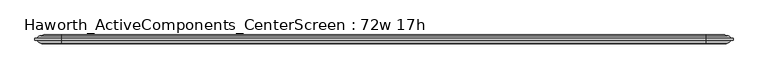
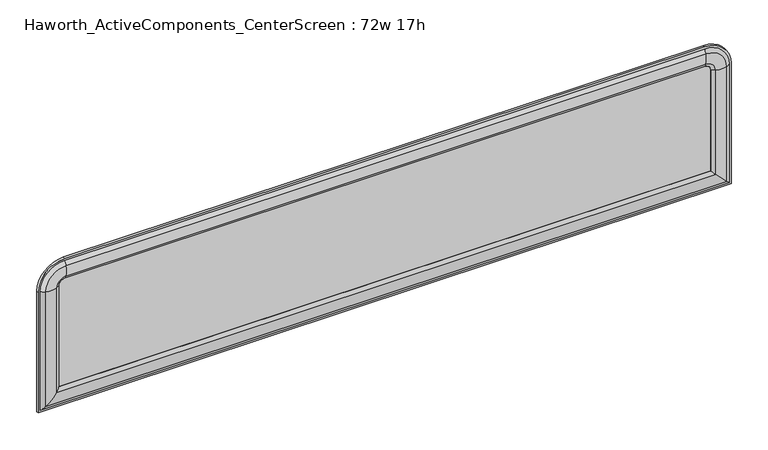
"""IFC4 building model written with IfcOpenShell, lengths in millimetres: furniture geometry, Haworth_ActiveComponents_CenterScreen : 72w 17h."""

from ifc_helpers import new_model, si_unit, point, frame, frame_2d, origin, place, context, project, spatial, polyline, circle_curve, ellipse_curve, trimmed, segment, composite_curve, outline, extrude, source, transform, mapped, element, save
from ifc_brep_helpers import plane_surface, cylinder_surface, revolved_surface, advanced_brep


def haworth_activecomponents_centerscreen_72w_17h_f42dbaa0(model_context):
    return source(origin(), model_context, "Body", "SolidModel", [
        advanced_brep(
        [(-778.6471882, 166.5621484, 974.0564604), (-778.6471882, 172.9121484, 974.0564604), (-778.6471882, 172.9121484, 639.2852418), (-778.6471882, 166.5621484, 639.2852418), (-763.1190318, 159.9159876, 974.0564604), (-772.7740135, 166.5621484, 974.0564604), (-772.7740135, 166.5621484, 645.1584165), (-763.1190318, 159.9159876, 654.8133982), (-734.1377339, 160.4494239, 974.0564604), (-734.1377339, 160.4494239, 683.794696), (-724.344509, 166.5621484, 974.0564604), (-724.344509, 166.5621484, 693.587921), (-724.344509, 172.9121484, 974.0564604), (-724.344509, 172.9121484, 693.587921), (-734.1377339, 179.024873, 974.0564604), (-734.1377339, 179.024873, 683.794696), (-763.1190318, 179.5583093, 974.0564604), (-763.1190318, 179.5583093, 654.8133982), (-772.7740135, 172.9121484, 974.0564604), (-772.7740135, 172.9121484, 645.1584165), (1042.1721859, 172.9121484, 639.2852418), (1042.1721859, 166.5621484, 639.2852418), (1036.2990112, 166.5621484, 645.1584165), (1026.6440295, 159.9159876, 654.8133982), (997.6627317, 160.4494239, 683.794696), (987.8695068, 166.5621484, 693.587921), (987.8695068, 172.9121484, 693.587921), (997.6627317, 179.024873, 683.794696), (1026.6440295, 179.5583093, 654.8133982), (1036.2990112, 172.9121484, 645.1584165), (1042.1721859, 172.9121484, 974.0564604), (1042.1721859, 166.5621484, 974.0564604), (1036.2990112, 166.5621484, 974.0564604), (1026.6440295, 159.9159876, 974.0564604), (997.6627317, 160.4494239, 974.0564604), (987.8695068, 166.5621484, 974.0564604), (987.8695068, 172.9121484, 974.0564604), (997.6627317, 179.024873, 974.0564604), (1026.6440295, 179.5583093, 974.0564604), (1036.2990112, 172.9121484, 974.0564604), (971.9945068, 166.5621484, 1044.2341395), (971.9945068, 172.9121484, 1044.2341395), (971.9945068, 159.9159876, 1028.7059832), (971.9945068, 166.5621484, 1038.3609648), (971.9945068, 160.4494239, 999.7246853), (971.9945068, 166.5621484, 989.9314604), (971.9945068, 172.9121484, 989.9314604), (971.9945068, 179.024873, 999.7246853), (971.9945068, 179.5583093, 1028.7059832), (971.9945068, 172.9121484, 1038.3609648), (-708.469509, 172.9121484, 1044.2341395), (-708.469509, 166.5621484, 1044.2341395), (-708.469509, 166.5621484, 1038.3609648), (-708.469509, 159.9159876, 1028.7059832), (-708.469509, 160.4494239, 999.7246853), (-708.469509, 166.5621484, 989.9314604), (-708.469509, 172.9121484, 989.9314604), (-708.469509, 179.024873, 999.7246853), (-708.469509, 179.5583093, 1028.7059832), (-708.469509, 172.9121484, 1038.3609648)],
        [
            (0, 1),
            (1, 2),
            (2, 3),
            (3, 0),
            (4, 5, circle_curve(frame((-758.9239346, 176.3463227, 974.0564604), z_axis=(0.0, 0.0, -1.0), x_axis=(0.0, -1.0, 0.0)), 16.9574394)),
            (5, 6),
            (6, 7, ellipse_curve(frame((-758.9239346, 176.3463227, 659.0084954), z_axis=(-0.707106781186545, 0.0, 0.7071067811865499), x_axis=(0.7071067811865498, 0.0, 0.7071067811865452)), 23.9814408, 16.9574394)),
            (7, 4),
            (8, 4, circle_curve(frame((-749.5981786, 212.871172, 974.0564604), z_axis=(0.0, 0.0, -1.0), x_axis=(0.0, -1.0, 0.0)), 54.6540486)),
            (7, 9, ellipse_curve(frame((-749.5981786, 212.871172, 668.3342514), z_axis=(-0.707106781186545, 0.0, 0.7071067811865499), x_axis=(0.7071067811865498, 0.0, 0.7071067811865452)), 77.2924967, 54.6540486)),
            (9, 8),
            (10, 8, circle_curve(frame((-740.2325958, 181.115279, 974.0564604), z_axis=(0.0, 0.0, -1.0), x_axis=(0.0, -1.0, 0.0)), 21.5458792)),
            (9, 11, ellipse_curve(frame((-740.2325958, 181.115279, 677.6998342), z_axis=(-0.707106781186545, 0.0, 0.7071067811865499), x_axis=(0.7071067811865498, 0.0, 0.7071067811865452)), 30.4704745, 21.5458792)),
            (11, 10),
            (12, 10),
            (11, 13),
            (13, 12),
            (14, 12, circle_curve(frame((-740.2325958, 158.3590179, 974.0564604), z_axis=(0.0, 0.0, -1.0), x_axis=(0.0, -1.0, 0.0)), 21.5458792)),
            (13, 15, ellipse_curve(frame((-740.2325958, 158.3590179, 677.6998342), z_axis=(-0.707106781186545, 0.0, 0.7071067811865499), x_axis=(0.7071067811865498, 0.0, 0.7071067811865452)), 30.4704745, 21.5458792)),
            (15, 14),
            (16, 14, circle_curve(frame((-749.5981786, 126.6031249, 974.0564604), z_axis=(0.0, 0.0, -1.0), x_axis=(0.0, -1.0, 0.0)), 54.6540486)),
            (15, 17, ellipse_curve(frame((-749.5981786, 126.6031249, 668.3342514), z_axis=(-0.707106781186545, 0.0, 0.7071067811865499), x_axis=(0.7071067811865498, 0.0, 0.7071067811865452)), 77.2924967, 54.6540486)),
            (17, 16),
            (18, 16, circle_curve(frame((-758.9239346, 163.1279742, 974.0564604), z_axis=(0.0, 0.0, -1.0), x_axis=(0.0, -1.0, 0.0)), 16.9574394)),
            (17, 19, ellipse_curve(frame((-758.9239346, 163.1279742, 659.0084954), z_axis=(-0.707106781186545, 0.0, 0.7071067811865499), x_axis=(0.7071067811865498, 0.0, 0.7071067811865452)), 23.9814408, 16.9574394)),
            (19, 18),
            (2, 20),
            (20, 21),
            (21, 3),
            (6, 22),
            (22, 23, ellipse_curve(frame((1022.4489323, 176.3463227, 659.0084954), z_axis=(-0.70710678118655, 0.0, -0.7071067811865451), x_axis=(-0.7071067811865449, 0.0, 0.7071067811865501)), 23.9814408, 16.9574394)),
            (23, 7),
            (23, 24, ellipse_curve(frame((1013.1231764, 212.871172, 668.3342514), z_axis=(-0.70710678118655, 0.0, -0.7071067811865451), x_axis=(-0.7071067811865449, 0.0, 0.7071067811865501)), 77.2924967, 54.6540486)),
            (24, 9),
            (24, 25, ellipse_curve(frame((1003.7575935, 181.115279, 677.6998342), z_axis=(-0.70710678118655, 0.0, -0.7071067811865451), x_axis=(-0.7071067811865449, 0.0, 0.7071067811865501)), 30.4704745, 21.5458792)),
            (25, 11),
            (25, 26),
            (26, 13),
            (26, 27, ellipse_curve(frame((1003.7575935, 158.3590179, 677.6998342), z_axis=(-0.70710678118655, 0.0, -0.7071067811865451), x_axis=(-0.7071067811865449, 0.0, 0.7071067811865501)), 30.4704745, 21.5458792)),
            (27, 15),
            (27, 28, ellipse_curve(frame((1013.1231764, 126.6031249, 668.3342514), z_axis=(-0.70710678118655, 0.0, -0.7071067811865451), x_axis=(-0.7071067811865449, 0.0, 0.7071067811865501)), 77.2924967, 54.6540486)),
            (28, 17),
            (28, 29, ellipse_curve(frame((1022.4489323, 163.1279742, 659.0084954), z_axis=(-0.70710678118655, 0.0, -0.7071067811865451), x_axis=(-0.7071067811865449, 0.0, 0.7071067811865501)), 23.9814408, 16.9574394)),
            (29, 19),
            (20, 30),
            (30, 31),
            (31, 21),
            (22, 32),
            (32, 33, circle_curve(frame((1022.4489323, 176.3463227, 974.0564604), z_axis=(0.0, 0.0, -1.0), x_axis=(0.0, -1.0, 0.0)), 16.9574394)),
            (33, 23),
            (33, 34, circle_curve(frame((1013.1231764, 212.871172, 974.0564604), z_axis=(0.0, 0.0, -1.0), x_axis=(0.0, -1.0, 0.0)), 54.6540486)),
            (34, 24),
            (34, 35, circle_curve(frame((1003.7575935, 181.115279, 974.0564604), z_axis=(0.0, 0.0, -1.0), x_axis=(0.0, -1.0, 0.0)), 21.5458792)),
            (35, 25),
            (35, 36),
            (36, 26),
            (36, 37, circle_curve(frame((1003.7575935, 158.3590179, 974.0564604), z_axis=(0.0, 0.0, -1.0), x_axis=(0.0, -1.0, 0.0)), 21.5458792)),
            (37, 27),
            (37, 38, circle_curve(frame((1013.1231764, 126.6031249, 974.0564604), z_axis=(0.0, 0.0, -1.0), x_axis=(0.0, -1.0, 0.0)), 54.6540486)),
            (38, 28),
            (38, 39, circle_curve(frame((1022.4489323, 163.1279742, 974.0564604), z_axis=(0.0, 0.0, -1.0), x_axis=(0.0, -1.0, 0.0)), 16.9574394)),
            (39, 29),
            (40, 31, circle_curve(frame((971.9945068, 166.5621484, 974.0564604), z_axis=(0.0, 1.0, 0.0), x_axis=(1.0, 0.0, 0.0)), 70.1776791)),
            (30, 41, circle_curve(frame((971.9945068, 172.9121484, 974.0564604), z_axis=(0.0, -1.0, 0.0), x_axis=(1.0, 0.0, 0.0)), 70.1776791)),
            (41, 40),
            (42, 33, circle_curve(frame((971.9945068, 159.9159876, 974.0564604), z_axis=(0.0, 1.0, 0.0), x_axis=(1.0, 0.0, 0.0)), 54.6495228)),
            (32, 43, circle_curve(frame((971.9945068, 166.5621484, 974.0564604), z_axis=(0.0, -1.0, 0.0), x_axis=(1.0, 0.0, 0.0)), 64.3045045)),
            (43, 42, circle_curve(frame((971.9945068, 176.3463227, 1024.5108859), z_axis=(1.0, 0.0, 0.0), x_axis=(0.0, -1.0, 0.0)), 16.9574394)),
            (44, 34, circle_curve(frame((971.9945068, 160.4494239, 974.0564604), z_axis=(0.0, 1.0, 0.0), x_axis=(1.0, 0.0, 0.0)), 25.6682249)),
            (42, 44, circle_curve(frame((971.9945068, 212.871172, 1015.18513), z_axis=(1.0, 0.0, 0.0), x_axis=(0.0, -1.0, 0.0)), 54.6540486)),
            (45, 35, circle_curve(frame((971.9945068, 166.5621484, 974.0564604), z_axis=(0.0, 1.0, 0.0), x_axis=(1.0, 0.0, 0.0)), 15.875)),
            (44, 45, circle_curve(frame((971.9945068, 181.115279, 1005.8195471), z_axis=(1.0, 0.0, 0.0), x_axis=(0.0, -1.0, 0.0)), 21.5458792)),
            (46, 36, circle_curve(frame((971.9945068, 172.9121484, 974.0564604), z_axis=(0.0, 1.0, 0.0), x_axis=(1.0, 0.0, 0.0)), 15.875)),
            (45, 46),
            (47, 37, circle_curve(frame((971.9945068, 179.024873, 974.0564604), z_axis=(0.0, 1.0, 0.0), x_axis=(1.0, 0.0, 0.0)), 25.6682249)),
            (46, 47, circle_curve(frame((971.9945068, 158.3590179, 1005.8195471), z_axis=(1.0, 0.0, 0.0), x_axis=(0.0, -1.0, 0.0)), 21.5458792)),
            (48, 38, circle_curve(frame((971.9945068, 179.5583093, 974.0564604), z_axis=(0.0, 1.0, 0.0), x_axis=(1.0, 0.0, 0.0)), 54.6495228)),
            (47, 48, circle_curve(frame((971.9945068, 126.6031249, 1015.18513), z_axis=(1.0, 0.0, 0.0), x_axis=(0.0, -1.0, 0.0)), 54.6540486)),
            (49, 39, circle_curve(frame((971.9945068, 172.9121484, 974.0564604), z_axis=(0.0, 1.0, 0.0), x_axis=(1.0, 0.0, 0.0)), 64.3045045)),
            (48, 49, circle_curve(frame((971.9945068, 163.1279742, 1024.5108859), z_axis=(1.0, 0.0, 0.0), x_axis=(0.0, -1.0, 0.0)), 16.9574394)),
            (41, 50),
            (50, 51),
            (51, 40),
            (43, 52),
            (52, 53, circle_curve(frame((-708.469509, 176.3463227, 1024.5108859), z_axis=(1.0, 0.0, 0.0), x_axis=(0.0, -1.0, 0.0)), 16.9574394)),
            (53, 42),
            (53, 54, circle_curve(frame((-708.469509, 212.871172, 1015.18513), z_axis=(1.0, 0.0, 0.0), x_axis=(0.0, -1.0, 0.0)), 54.6540486)),
            (54, 44),
            (54, 55, circle_curve(frame((-708.469509, 181.115279, 1005.8195471), z_axis=(1.0, 0.0, 0.0), x_axis=(0.0, -1.0, 0.0)), 21.5458792)),
            (55, 45),
            (55, 56),
            (56, 46),
            (56, 57, circle_curve(frame((-708.469509, 158.3590179, 1005.8195471), z_axis=(1.0, 0.0, 0.0), x_axis=(0.0, -1.0, 0.0)), 21.5458792)),
            (57, 47),
            (57, 58, circle_curve(frame((-708.469509, 126.6031249, 1015.18513), z_axis=(1.0, 0.0, 0.0), x_axis=(0.0, -1.0, 0.0)), 54.6540486)),
            (58, 48),
            (58, 59, circle_curve(frame((-708.469509, 163.1279742, 1024.5108859), z_axis=(1.0, 0.0, 0.0), x_axis=(0.0, -1.0, 0.0)), 16.9574394)),
            (59, 49),
            (0, 51, circle_curve(frame((-708.469509, 166.5621484, 974.0564604), z_axis=(0.0, 1.0, 0.0), x_axis=(0.0, 0.0, 1.0)), 70.1776791)),
            (50, 1, circle_curve(frame((-708.469509, 172.9121484, 974.0564604), z_axis=(0.0, -1.0, 0.0), x_axis=(0.0, 0.0, 1.0)), 70.1776791)),
            (5, 52, circle_curve(frame((-708.469509, 166.5621484, 974.0564604), z_axis=(0.0, 1.0, 0.0), x_axis=(0.0, 0.0, 1.0)), 64.3045045)),
            (4, 53, circle_curve(frame((-708.469509, 159.9159876, 974.0564604), z_axis=(0.0, 1.0, 0.0), x_axis=(0.0, 0.0, 1.0)), 54.6495228)),
            (8, 54, circle_curve(frame((-708.469509, 160.4494239, 974.0564604), z_axis=(0.0, 1.0, 0.0), x_axis=(0.0, 0.0, 1.0)), 25.6682249)),
            (10, 55, circle_curve(frame((-708.469509, 166.5621484, 974.0564604), z_axis=(0.0, 1.0, 0.0), x_axis=(0.0, 0.0, 1.0)), 15.875)),
            (12, 56, circle_curve(frame((-708.469509, 172.9121484, 974.0564604), z_axis=(0.0, 1.0, 0.0), x_axis=(0.0, 0.0, 1.0)), 15.875)),
            (14, 57, circle_curve(frame((-708.469509, 179.024873, 974.0564604), z_axis=(0.0, 1.0, 0.0), x_axis=(0.0, 0.0, 1.0)), 25.6682249)),
            (16, 58, circle_curve(frame((-708.469509, 179.5583093, 974.0564604), z_axis=(0.0, 1.0, 0.0), x_axis=(0.0, 0.0, 1.0)), 54.6495228)),
            (18, 59, circle_curve(frame((-708.469509, 172.9121484, 974.0564604), z_axis=(0.0, 1.0, 0.0), x_axis=(0.0, 0.0, 1.0)), 64.3045045)),
        ],
        [
            plane_surface(frame((-778.6471882, 172.9121484, 974.0564604), z_axis=(-1.0, 0.0, 0.0), x_axis=(0.0, 0.0, -1.0))),
            cylinder_surface(frame((-758.9239346, 176.3463227, 974.0564604), z_axis=(0.0, 0.0, 1.0), x_axis=(0.0, -1.0, 0.0)), 16.9574394),
            cylinder_surface(frame((-749.5981786, 212.871172, 974.0564604), z_axis=(0.0, 0.0, 1.0), x_axis=(0.0, -1.0, 0.0)), 54.6540486),
            cylinder_surface(frame((-740.2325958, 181.115279, 974.0564604), z_axis=(0.0, 0.0, 1.0), x_axis=(0.0, -1.0, 0.0)), 21.5458792),
            plane_surface(frame((-724.344509, 166.5621484, 974.0564604), z_axis=(1.0, 0.0, 0.0), x_axis=(0.0, 0.0, -1.0))),
            cylinder_surface(frame((-740.2325958, 158.3590179, 974.0564604), z_axis=(0.0, 0.0, 1.0), x_axis=(0.0, -1.0, 0.0)), 21.5458792),
            cylinder_surface(frame((-749.5981786, 126.6031249, 974.0564604), z_axis=(0.0, 0.0, 1.0), x_axis=(0.0, -1.0, 0.0)), 54.6540486),
            cylinder_surface(frame((-758.9239346, 163.1279742, 974.0564604), z_axis=(0.0, 0.0, 1.0), x_axis=(0.0, -1.0, 0.0)), 16.9574394),
            plane_surface(frame((-778.6471882, 172.9121484, 639.2852418), z_axis=(0.0, 0.0, -1.0), x_axis=(1.0, 0.0, 0.0))),
            cylinder_surface(frame((-724.344509, 176.3463227, 659.0084954), z_axis=(-1.0, 0.0, 0.0), x_axis=(0.0, -1.0, 0.0)), 16.9574394),
            cylinder_surface(frame((-724.344509, 212.871172, 668.3342514), z_axis=(-1.0, 0.0, 0.0), x_axis=(0.0, -1.0, 0.0)), 54.6540486),
            cylinder_surface(frame((-724.344509, 181.115279, 677.6998342), z_axis=(-1.0, 0.0, 0.0), x_axis=(0.0, -1.0, 0.0)), 21.5458792),
            plane_surface(frame((-724.344509, 166.5621484, 693.587921), z_axis=(0.0, 0.0, 1.0), x_axis=(1.0, 0.0, 0.0))),
            cylinder_surface(frame((-724.344509, 158.3590179, 677.6998342), z_axis=(-1.0, 0.0, 0.0), x_axis=(0.0, -1.0, 0.0)), 21.5458792),
            cylinder_surface(frame((-724.344509, 126.6031249, 668.3342514), z_axis=(-1.0, 0.0, 0.0), x_axis=(0.0, -1.0, 0.0)), 54.6540486),
            cylinder_surface(frame((-724.344509, 163.1279742, 659.0084954), z_axis=(-1.0, 0.0, 0.0), x_axis=(0.0, -1.0, 0.0)), 16.9574394),
            plane_surface(frame((1042.1721859, 172.9121484, 639.2852418), z_axis=(1.0, 0.0, 0.0), x_axis=(0.0, 0.0, 1.0))),
            cylinder_surface(frame((1022.4489323, 176.3463227, 693.587921), z_axis=(0.0, 0.0, -1.0), x_axis=(0.0, -1.0, 0.0)), 16.9574394),
            cylinder_surface(frame((1013.1231764, 212.871172, 693.587921), z_axis=(0.0, 0.0, -1.0), x_axis=(0.0, -1.0, 0.0)), 54.6540486),
            cylinder_surface(frame((1003.7575935, 181.115279, 693.587921), z_axis=(0.0, 0.0, -1.0), x_axis=(0.0, -1.0, 0.0)), 21.5458792),
            plane_surface(frame((987.8695068, 166.5621484, 693.587921), z_axis=(-1.0, 0.0, 0.0), x_axis=(0.0, 0.0, 1.0))),
            cylinder_surface(frame((1003.7575935, 158.3590179, 693.587921), z_axis=(0.0, 0.0, -1.0), x_axis=(0.0, -1.0, 0.0)), 21.5458792),
            cylinder_surface(frame((1013.1231764, 126.6031249, 693.587921), z_axis=(0.0, 0.0, -1.0), x_axis=(0.0, -1.0, 0.0)), 54.6540486),
            cylinder_surface(frame((1022.4489323, 163.1279742, 693.587921), z_axis=(0.0, 0.0, -1.0), x_axis=(0.0, -1.0, 0.0)), 16.9574394),
            cylinder_surface(frame((971.9945068, 166.5621484, 974.0564604), z_axis=(0.0, -1.0, 0.0), x_axis=(1.0, 0.0, 0.0)), 70.1776791),
            revolved_surface(trimmed(ellipse_curve(frame((1022.4489323, 176.3463227, 974.0564604), z_axis=(0.0, 0.0, -1.0), x_axis=(0.0, -1.0, 0.0)), 16.9574394, 16.9574394), [point((1036.2990112, 166.5621484, 974.0564604))], [point((1026.6440295, 159.9159876, 974.0564604))], True, "CARTESIAN"), (971.9945068, 166.5621484, 974.0564604), (0.0, -1.0, 0.0)),
            revolved_surface(trimmed(ellipse_curve(frame((1013.1231764, 212.871172, 974.0564604), z_axis=(0.0, 0.0, -1.0), x_axis=(0.0, -1.0, 0.0)), 54.6540486, 54.6540486), [point((1026.6440295, 159.9159876, 974.0564604))], [point((997.6627317, 160.4494239, 974.0564604))], True, "CARTESIAN"), (971.9945068, 166.5621484, 974.0564604), (0.0, -1.0, 0.0)),
            revolved_surface(trimmed(ellipse_curve(frame((1003.7575935, 181.115279, 974.0564604), z_axis=(0.0, 0.0, -1.0), x_axis=(0.0, -1.0, 0.0)), 21.5458792, 21.5458792), [point((997.6627317, 160.4494239, 974.0564604))], [point((987.8695068, 166.5621484, 974.0564604))], True, "CARTESIAN"), (971.9945068, 166.5621484, 974.0564604), (0.0, -1.0, 0.0)),
            revolved_surface(polyline([(987.8695068, 166.5621484, 974.0564604), (987.8695068, 172.9121484, 974.0564604)]), (971.9945068, 166.5621484, 974.0564604), (0.0, -1.0, 0.0)),
            revolved_surface(trimmed(ellipse_curve(frame((1003.7575935, 158.3590179, 974.0564604), z_axis=(0.0, 0.0, -1.0), x_axis=(0.0, -1.0, 0.0)), 21.5458792, 21.5458792), [point((987.8695068, 172.9121484, 974.0564604))], [point((997.6627317, 179.024873, 974.0564604))], True, "CARTESIAN"), (971.9945068, 166.5621484, 974.0564604), (0.0, -1.0, 0.0)),
            revolved_surface(trimmed(ellipse_curve(frame((1013.1231764, 126.6031249, 974.0564604), z_axis=(0.0, 0.0, -1.0), x_axis=(0.0, -1.0, 0.0)), 54.6540486, 54.6540486), [point((997.6627317, 179.024873, 974.0564604))], [point((1026.6440295, 179.5583093, 974.0564604))], True, "CARTESIAN"), (971.9945068, 166.5621484, 974.0564604), (0.0, -1.0, 0.0)),
            revolved_surface(trimmed(ellipse_curve(frame((1022.4489323, 163.1279742, 974.0564604), z_axis=(0.0, 0.0, -1.0), x_axis=(0.0, -1.0, 0.0)), 16.9574394, 16.9574394), [point((1026.6440295, 179.5583093, 974.0564604))], [point((1036.2990112, 172.9121484, 974.0564604))], True, "CARTESIAN"), (971.9945068, 166.5621484, 974.0564604), (0.0, -1.0, 0.0)),
            plane_surface(frame((971.9945068, 172.9121484, 1044.2341395), z_axis=(0.0, 0.0, 1.0), x_axis=(-1.0, 0.0, 0.0))),
            cylinder_surface(frame((971.9945068, 176.3463227, 1024.5108859), z_axis=(1.0, 0.0, 0.0), x_axis=(0.0, -1.0, 0.0)), 16.9574394),
            cylinder_surface(frame((971.9945068, 212.871172, 1015.18513), z_axis=(1.0, 0.0, 0.0), x_axis=(0.0, -1.0, 0.0)), 54.6540486),
            cylinder_surface(frame((971.9945068, 181.115279, 1005.8195471), z_axis=(1.0, 0.0, 0.0), x_axis=(0.0, -1.0, 0.0)), 21.5458792),
            plane_surface(frame((971.9945068, 166.5621484, 989.9314604), z_axis=(0.0, 0.0, -1.0), x_axis=(-1.0, 0.0, 0.0))),
            cylinder_surface(frame((971.9945068, 158.3590179, 1005.8195471), z_axis=(1.0, 0.0, 0.0), x_axis=(0.0, -1.0, 0.0)), 21.5458792),
            cylinder_surface(frame((971.9945068, 126.6031249, 1015.18513), z_axis=(1.0, 0.0, 0.0), x_axis=(0.0, -1.0, 0.0)), 54.6540486),
            cylinder_surface(frame((971.9945068, 163.1279742, 1024.5108859), z_axis=(1.0, 0.0, 0.0), x_axis=(0.0, -1.0, 0.0)), 16.9574394),
            cylinder_surface(frame((-708.469509, 166.5621484, 974.0564604), z_axis=(0.0, -1.0, 0.0), x_axis=(0.0, 0.0, 1.0)), 70.1776791),
            plane_surface(frame((-708.469509, 166.5621484, 974.0564604), z_axis=(0.0, -1.0, 0.0), x_axis=(0.0, 0.0, 1.0))),
            revolved_surface(trimmed(ellipse_curve(frame((-708.469509, 176.3463227, 1024.5108859), z_axis=(1.0, 0.0, 0.0), x_axis=(0.0, -1.0, 0.0)), 16.9574394, 16.9574394), [point((-708.469509, 166.5621484, 1038.3609648))], [point((-708.469509, 159.9159876, 1028.7059832))], True, "CARTESIAN"), (-708.469509, 166.5621484, 974.0564604), (0.0, -1.0, 0.0)),
            revolved_surface(trimmed(ellipse_curve(frame((-708.469509, 212.871172, 1015.18513), z_axis=(1.0, 0.0, 0.0), x_axis=(0.0, -1.0, 0.0)), 54.6540486, 54.6540486), [point((-708.469509, 159.9159876, 1028.7059832))], [point((-708.469509, 160.4494239, 999.7246853))], True, "CARTESIAN"), (-708.469509, 166.5621484, 974.0564604), (0.0, -1.0, 0.0)),
            revolved_surface(trimmed(ellipse_curve(frame((-708.469509, 181.115279, 1005.8195471), z_axis=(1.0, 0.0, 0.0), x_axis=(0.0, -1.0, 0.0)), 21.5458792, 21.5458792), [point((-708.469509, 160.4494239, 999.7246853))], [point((-708.469509, 166.5621484, 989.9314604))], True, "CARTESIAN"), (-708.469509, 166.5621484, 974.0564604), (0.0, -1.0, 0.0)),
            revolved_surface(polyline([(-708.469509, 166.5621484, 989.9314604), (-708.469509, 172.9121484, 989.9314604)]), (-708.469509, 166.5621484, 974.0564604), (0.0, -1.0, 0.0)),
            revolved_surface(trimmed(ellipse_curve(frame((-708.469509, 158.3590179, 1005.8195471), z_axis=(1.0, 0.0, 0.0), x_axis=(0.0, -1.0, 0.0)), 21.5458792, 21.5458792), [point((-708.469509, 172.9121484, 989.9314604))], [point((-708.469509, 179.024873, 999.7246853))], True, "CARTESIAN"), (-708.469509, 166.5621484, 974.0564604), (0.0, -1.0, 0.0)),
            revolved_surface(trimmed(ellipse_curve(frame((-708.469509, 126.6031249, 1015.18513), z_axis=(1.0, 0.0, 0.0), x_axis=(0.0, -1.0, 0.0)), 54.6540486, 54.6540486), [point((-708.469509, 179.024873, 999.7246853))], [point((-708.469509, 179.5583093, 1028.7059832))], True, "CARTESIAN"), (-708.469509, 166.5621484, 974.0564604), (0.0, -1.0, 0.0)),
            revolved_surface(trimmed(ellipse_curve(frame((-708.469509, 163.1279742, 1024.5108859), z_axis=(1.0, 0.0, 0.0), x_axis=(0.0, -1.0, 0.0)), 16.9574394, 16.9574394), [point((-708.469509, 179.5583093, 1028.7059832))], [point((-708.469509, 172.9121484, 1038.3609648))], True, "CARTESIAN"), (-708.469509, 166.5621484, 974.0564604), (0.0, -1.0, 0.0)),
            plane_surface(frame((-708.469509, 172.9121484, 974.0564604), z_axis=(0.0, 1.0, 0.0), x_axis=(0.0, 0.0, 1.0))),
        ],
        [
            (0, [[1, 2, 3, 4]]),
            (1, [[5, 6, 7, 8]]),
            (2, [[9, -8, 10, 11]]),
            (3, [[12, -11, 13, 14]]),
            (4, [[15, -14, 16, 17]]),
            (5, [[18, -17, 19, 20]]),
            (6, [[21, -20, 22, 23]]),
            (7, [[24, -23, 25, 26]]),
            (8, [[-3, 27, 28, 29]]),
            (9, [[-7, 30, 31, 32]]),
            (10, [[-10, -32, 33, 34]]),
            (11, [[-13, -34, 35, 36]]),
            (12, [[-16, -36, 37, 38]]),
            (13, [[-19, -38, 39, 40]]),
            (14, [[-22, -40, 41, 42]]),
            (15, [[-25, -42, 43, 44]]),
            (16, [[-28, 45, 46, 47]]),
            (17, [[-31, 48, 49, 50]]),
            (18, [[-33, -50, 51, 52]]),
            (19, [[-35, -52, 53, 54]]),
            (20, [[-37, -54, 55, 56]]),
            (21, [[-39, -56, 57, 58]]),
            (22, [[-41, -58, 59, 60]]),
            (23, [[-43, -60, 61, 62]]),
            (24, [[63, -46, 64, 65]]),
            (25, [[66, -49, 67, 68]]),
            (26, [[69, -51, -66, 70]]),
            (27, [[71, -53, -69, 72]]),
            (28, [[73, -55, -71, 74]]),
            (29, [[75, -57, -73, 76]]),
            (30, [[77, -59, -75, 78]]),
            (31, [[79, -61, -77, 80]]),
            (32, [[-65, 81, 82, 83]]),
            (33, [[-68, 84, 85, 86]]),
            (34, [[-70, -86, 87, 88]]),
            (35, [[-72, -88, 89, 90]]),
            (36, [[-74, -90, 91, 92]]),
            (37, [[-76, -92, 93, 94]]),
            (38, [[-78, -94, 95, 96]]),
            (39, [[-80, -96, 97, 98]]),
            (40, [[99, -82, 100, -1]]),
            (41, [[-63, -83, -99, -4, -29, -47], [101, -84, -67, -48, -30, -6]]),
            (42, [[102, -85, -101, -5]]),
            (43, [[103, -87, -102, -9]]),
            (44, [[104, -89, -103, -12]]),
            (45, [[105, -91, -104, -15]]),
            (46, [[106, -93, -105, -18]]),
            (47, [[107, -95, -106, -21]]),
            (48, [[108, -97, -107, -24]]),
            (49, [[-100, -81, -64, -45, -27, -2], [-79, -98, -108, -26, -44, -62]]),
        ],
    ),
        extrude(outline(composite_curve([segment(polyline([(693.587921, 987.8695068), (974.0564604, 987.8695068)]), True, "CONTINUOUS"), segment(trimmed(circle_curve(frame_2d((974.0564604, 971.9945068)), 15.875), [point((974.0564604, 987.8695068))], [point((989.9314604, 971.9945068))], False, "CARTESIAN"), True, "CONTINUOUS"), segment(polyline([(989.9314604, 971.9945068), (989.9314604, -708.469509)]), True, "CONTINUOUS"), segment(trimmed(circle_curve(frame_2d((974.0564604, -708.469509)), 15.875), [point((989.9314604, -708.469509))], [point((974.0564604, -724.344509))], False, "CARTESIAN"), True, "CONTINUOUS"), segment(polyline([(974.0564604, -724.344509), (693.587921, -724.344509), (693.587921, 987.8695068)]), True, "CONTINUOUS")], self_intersect=False)), frame((0.0, 166.5621484, 0.0), z_axis=(0.0, 1.0, 0.0), x_axis=(0.0, 0.0, 1.0)), (0.0, 0.0, 1.0), 6.35),
    ])


if __name__ == "__main__":
    model = new_model("IFC4")
    model_context = context("Model", 3, world=origin())
    ifc_project = project(units=[si_unit("LENGTHUNIT", "METRE", prefix="MILLI")], contexts=[model_context])
    site = spatial("IfcSite", under=ifc_project)
    building = spatial("IfcBuilding", under=site)
    placement = place(None, origin())
    haworth_activecomponents_centerscreen_72w_17h_shape = haworth_activecomponents_centerscreen_72w_17h_f42dbaa0(model_context)
    element("IfcFurniture", 1, ObjectType="Haworth_ActiveComponents_CenterScreen : 72w 17h", at=placement, inside=building, context=model_context, shape_type="MappedRepresentation", body=[
        mapped(haworth_activecomponents_centerscreen_72w_17h_shape, transform((0.0, 0.0, 0.0), x_axis=(1.0, 0.0, 0.0), y_axis=(0.0, 1.0, 0.0), z_axis=(0.0, 0.0, 1.0))),
    ])
    save(model, "model.ifc")
